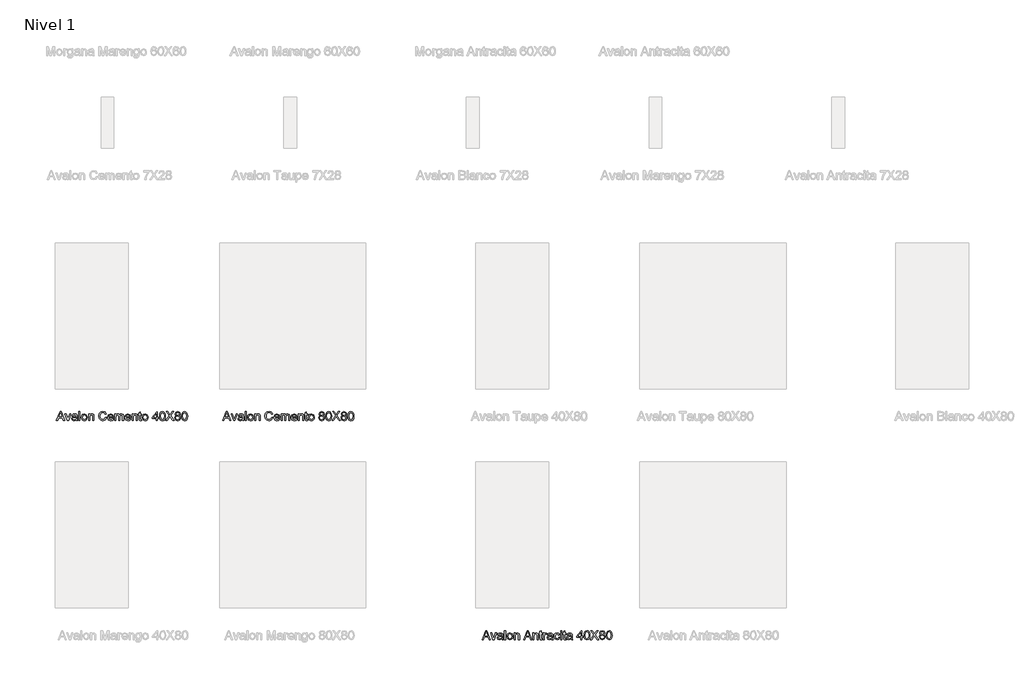
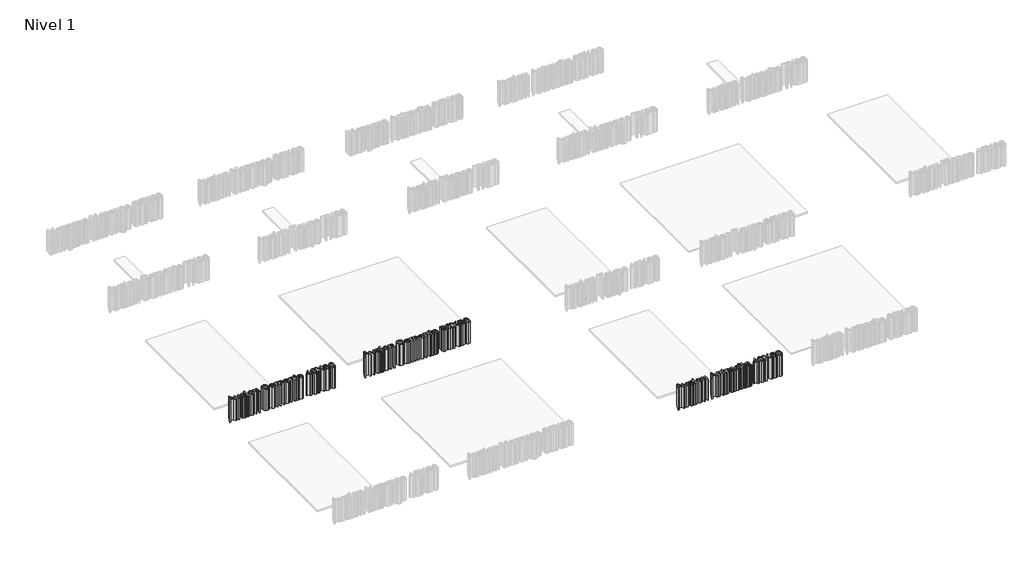
# One storey, part 2 of 11: 3 proxies.
"""IFC4 building model written with IfcOpenShell, lengths in millimetres."""

from ifc_helpers import new_model, si_unit, origin, origin_with_axes, place, context, project, spatial, polyline, outline, extrude, element, save

model = new_model("IFC4")

# Units and contexts
model_context = context("Model", 3, world=origin())
ifc_project = project(units=[si_unit("LENGTHUNIT", "METRE", prefix="MILLI")], contexts=[model_context])

# Site, building, storey
site = spatial("IfcSite", under=ifc_project)
building = spatial("IfcBuilding", under=site)
storey = spatial("IfcBuildingStorey", under=building, Name="Nivel 1", Elevation=0.0)

# Proxies
placement = place(None, origin())
element("IfcBuildingElementProxy", 1, Name="Texto de modelo 1", ObjectType="Texto de modelo 1", at=placement, inside=storey, context=model_context, shape_type="SweptSolid", body=[
    extrude(outline(polyline([(5.8341766, -4172.9229512), (25.4856189, -4123.692182), (30.7260035, -4123.692182), (50.3774458, -4172.9229512), (43.875042, -4172.9229512), (38.2380227, -4157.5383359), (17.9615804, -4157.5383359), (12.3365804, -4172.9229512), (5.8341766, -4172.9229512)]), holes=[polyline([(20.2211958, -4151.3844897), (35.9904266, -4151.3844897), (31.5553304, -4139.2811243), (28.1058112, -4129.8460282), (25.0409073, -4138.223432), (20.2211958, -4151.3844897)])]), origin_with_axes(), (0.0, 0.0, 1.0), 150.0),
    extrude(outline(polyline([(65.0529266, -4172.9229512), (52.3365804, -4136.7691051), (58.8510035, -4136.7691051), (66.5553304, -4158.4277589), (68.875042, -4165.7114128), (71.1466766, -4158.8364128), (78.8990804, -4136.7691051), (85.4135035, -4136.7691051), (72.8534073, -4172.9229512), (65.0529266, -4172.9229512)])), origin_with_axes(), (0.0, 0.0, 1.0), 150.0),
    extrude(outline(polyline([(113.875042, -4168.3075666), (107.9074939, -4172.4782397), (101.3149458, -4173.692182), (92.3786477, -4170.7715089), (89.2596573, -4163.3075666), (90.437542, -4158.4397782), (93.5324939, -4154.9061243), (97.8413881, -4152.8868936), (103.1659073, -4151.9614128), (113.8389843, -4149.8460282), (112.1803304, -4143.9325666), (105.3774458, -4142.1537205), (99.1514843, -4143.3376147), (96.1827343, -4147.5383359), (90.0288881, -4146.7691051), (92.6911477, -4140.7594897), (98.0517246, -4137.2378551), (106.170715, -4135.9998743), (113.6286477, -4137.0936243), (117.8413881, -4139.8400186), (119.7284073, -4144.0167012), (120.0288881, -4149.4013166), (120.0288881, -4157.0575666), (120.3413881, -4167.7486724), (121.5673496, -4172.9229512), (115.4135035, -4172.9229512), (113.875042, -4168.3075666)]), holes=[polyline([(113.875042, -4155.9998743), (103.9471573, -4157.8868936), (98.6526862, -4158.8844897), (96.2548496, -4160.5070859), (95.4135035, -4162.8748743), (97.2464362, -4166.2042012), (102.625042, -4167.5383359), (108.8510035, -4166.0659801), (112.8654266, -4162.5022782), (113.8389843, -4157.7426628), (113.875042, -4155.9998743)])]), origin_with_axes(), (0.0, 0.0, 1.0), 150.0),
    extrude(outline(polyline([(128.4904266, -4172.9229512), (128.4904266, -4123.692182), (134.6442727, -4123.692182), (134.6442727, -4172.9229512), (128.4904266, -4172.9229512)])), origin_with_axes(), (0.0, 0.0, 1.0), 150.0),
    extrude(outline(polyline([(142.3365804, -4154.8460282), (143.6677102, -4146.1290811), (147.6610996, -4140.0022782), (158.5024458, -4135.9998743), (170.1310516, -4140.8736724), (174.6442727, -4154.3412205), (172.6490804, -4165.2907397), (166.8377823, -4171.4866532), (158.5024458, -4173.692182), (146.8017246, -4168.8364128), (142.3365804, -4154.8460282)]), holes=[polyline([(148.4904266, -4154.8340089), (151.3389843, -4164.3712686), (158.5024458, -4167.5383359), (165.6418689, -4164.3532397), (168.4904266, -4154.6417012), (165.62384, -4145.3207878), (158.5024458, -4142.1537205), (151.3389843, -4145.3087686), (148.4904266, -4154.8340089)])]), origin_with_axes(), (0.0, 0.0, 1.0), 150.0),
    extrude(outline(polyline([(181.5673496, -4172.9229512), (181.5673496, -4136.7691051), (187.7211958, -4136.7691051), (187.7211958, -4141.817182), (192.4267246, -4137.4542012), (198.8510035, -4135.9998743), (204.6623016, -4137.1717493), (208.6286477, -4140.2486724), (210.4735996, -4144.7739128), (210.7981189, -4150.723432), (210.7981189, -4172.9229512), (204.6442727, -4172.9229512), (204.6442727, -4151.5527589), (203.9351381, -4146.1080474), (201.4291285, -4143.2294416), (197.2043689, -4142.1537205), (190.5276862, -4144.5695859), (187.7211958, -4153.7402589), (187.7211958, -4172.9229512), (181.5673496, -4172.9229512)])), origin_with_axes(), (0.0, 0.0, 1.0), 150.0),
    extrude(outline(polyline([(273.875042, -4155.4229512), (280.0288881, -4157.0094897), (272.733215, -4169.4193455), (259.8485996, -4173.692182), (247.0421093, -4170.4590089), (239.53009, -4161.0960282), (236.951965, -4147.9349705), (239.8666285, -4134.5575666), (248.1538881, -4125.8856916), (259.9808112, -4122.9229512), (272.3065323, -4126.7570859), (279.2596573, -4137.5503551), (273.1058112, -4139.0167012), (268.0577343, -4131.4505955), (259.7404266, -4129.0767974), (250.1130227, -4131.7090089), (244.6743208, -4138.7763166), (243.1058112, -4147.9229512), (244.9627823, -4158.5239128), (250.7440323, -4165.2967493), (259.2356189, -4167.5383359), (268.6526862, -4164.4854512), (273.875042, -4155.4229512)])), origin_with_axes(), (0.0, 0.0, 1.0), 150.0),
    extrude(outline(polyline([(313.0336958, -4162.1537205), (319.0673496, -4162.9229512), (313.4243208, -4170.8676628), (302.9135035, -4173.692182), (290.1370612, -4168.8183839), (285.4135035, -4155.1465089), (290.1851381, -4141.0239128), (302.5649458, -4135.9998743), (314.5901862, -4141.0118936), (319.2596573, -4155.1104512), (319.2235996, -4156.7691051), (291.5673496, -4156.7691051), (295.1070131, -4164.7618936), (303.0336958, -4167.5383359), (309.0673496, -4166.2522782), (313.0336958, -4162.1537205)]), holes=[polyline([(291.5673496, -4150.6152589), (313.1058112, -4150.6152589), (310.6418689, -4145.0383359), (302.5409073, -4142.1537205), (294.9627823, -4144.4554032), (291.5673496, -4150.6152589)])]), origin_with_axes(), (0.0, 0.0, 1.0), 150.0),
    extrude(outline(polyline([(325.4135035, -4172.9229512), (325.4135035, -4136.7691051), (331.5673496, -4136.7691051), (331.5673496, -4142.7186243), (335.7981189, -4137.8448262), (341.8197535, -4135.9998743), (347.9856189, -4137.8808839), (351.375042, -4143.1513166), (356.1767246, -4137.7877349), (362.2404266, -4135.9998743), (370.2873016, -4138.9746339), (373.1058112, -4148.1392974), (373.1058112, -4172.9229512), (366.951965, -4172.9229512), (366.951965, -4150.7835282), (366.3810516, -4145.645307), (364.3137439, -4143.1152589), (360.7981189, -4142.1537205), (354.7464362, -4144.6176628), (352.3365804, -4152.5142974), (352.3365804, -4172.9229512), (346.1827343, -4172.9229512), (346.1827343, -4150.098432), (344.7584554, -4144.1368936), (340.0889843, -4142.1537205), (335.5336958, -4143.4758359), (332.5048496, -4147.3460282), (331.5673496, -4154.6897782), (331.5673496, -4172.9229512), (325.4135035, -4172.9229512)])), origin_with_axes(), (0.0, 0.0, 1.0), 150.0),
    extrude(outline(polyline([(407.6490804, -4162.1537205), (413.6827343, -4162.9229512), (408.0397054, -4170.8676628), (397.5288881, -4173.692182), (384.7524458, -4168.8183839), (380.0288881, -4155.1465089), (384.8005227, -4141.0239128), (397.1803304, -4135.9998743), (409.2055708, -4141.0118936), (413.875042, -4155.1104512), (413.8389843, -4156.7691051), (386.1827343, -4156.7691051), (389.7223977, -4164.7618936), (397.6490804, -4167.5383359), (403.6827343, -4166.2522782), (407.6490804, -4162.1537205)]), holes=[polyline([(386.1827343, -4150.6152589), (407.7211958, -4150.6152589), (405.2572535, -4145.0383359), (397.156292, -4142.1537205), (389.578167, -4144.4554032), (386.1827343, -4150.6152589)])]), origin_with_axes(), (0.0, 0.0, 1.0), 150.0),
    extrude(outline(polyline([(420.0288881, -4172.9229512), (420.0288881, -4136.7691051), (426.1827343, -4136.7691051), (426.1827343, -4141.817182), (430.8882631, -4137.4542012), (437.312542, -4135.9998743), (443.12384, -4137.1717493), (447.0901862, -4140.2486724), (448.9351381, -4144.7739128), (449.2596573, -4150.723432), (449.2596573, -4172.9229512), (443.1058112, -4172.9229512), (443.1058112, -4151.5527589), (442.3966766, -4146.1080474), (439.890667, -4143.2294416), (435.6659073, -4142.1537205), (428.9892246, -4144.5695859), (426.1827343, -4153.7402589), (426.1827343, -4172.9229512), (420.0288881, -4172.9229512)])), origin_with_axes(), (0.0, 0.0, 1.0), 150.0),
    extrude(outline(polyline([(470.7981189, -4167.7907397), (471.5673496, -4173.1032397), (466.9639843, -4173.692182), (461.8077343, -4172.6705474), (459.2356189, -4169.9902589), (458.4904266, -4163.0070859), (458.4904266, -4142.9229512), (453.875042, -4142.9229512), (453.875042, -4136.7691051), (458.4904266, -4136.7691051), (458.4904266, -4127.9830474), (464.6442727, -4124.3652589), (464.6442727, -4136.7691051), (470.7981189, -4136.7691051), (470.7981189, -4142.9229512), (464.6442727, -4142.9229512), (464.6442727, -4162.8267974), (464.968792, -4165.9998743), (468.1178304, -4167.5383359), (470.7981189, -4167.7907397)])), origin_with_axes(), (0.0, 0.0, 1.0), 150.0),
    extrude(outline(polyline([(475.4135035, -4154.8460282), (476.7446333, -4146.1290811), (480.7380227, -4140.0022782), (491.5793689, -4135.9998743), (503.2079746, -4140.8736724), (507.7211958, -4154.3412205), (505.7260035, -4165.2907397), (499.9147054, -4171.4866532), (491.5793689, -4173.692182), (479.8786477, -4168.8364128), (475.4135035, -4154.8460282)]), holes=[polyline([(481.5673496, -4154.8340089), (484.4159073, -4164.3712686), (491.5793689, -4167.5383359), (498.718792, -4164.3532397), (501.5673496, -4154.6417012), (498.7007631, -4145.3207878), (491.5793689, -4142.1537205), (484.4159073, -4145.3087686), (481.5673496, -4154.8340089)])]), origin_with_axes(), (0.0, 0.0, 1.0), 150.0),
    extrude(outline(polyline([(552.3365804, -4172.9229512), (552.3365804, -4161.3844897), (530.0288881, -4161.3844897), (530.0288881, -4155.2306436), (553.875042, -4124.4614128), (558.4904266, -4124.4614128), (558.4904266, -4155.2306436), (564.6442727, -4155.2306436), (564.6442727, -4161.3844897), (558.4904266, -4161.3844897), (558.4904266, -4172.9229512), (552.3365804, -4172.9229512)]), holes=[polyline([(552.3365804, -4155.2306436), (552.3365804, -4136.2162205), (537.6010035, -4155.2306436), (552.3365804, -4155.2306436)])]), origin_with_axes(), (0.0, 0.0, 1.0), 150.0),
    extrude(outline(polyline([(570.0288881, -4148.7042012), (571.8377823, -4134.5395378), (577.2103785, -4126.3724705), (586.1827343, -4123.692182), (593.3702343, -4125.2787205), (598.3341766, -4129.8520378), (601.218792, -4137.1356916), (602.3365804, -4148.7042012), (600.545715, -4162.8087686), (595.1911477, -4170.9938647), (586.1827343, -4173.692182), (574.9327343, -4169.004682), (571.2548496, -4160.6783599), (570.0288881, -4148.7042012)]), holes=[polyline([(576.1827343, -4148.692182), (579.0673496, -4163.9746339), (586.1827343, -4167.5383359), (593.2981189, -4163.9626147), (596.1827343, -4148.692182), (593.3942727, -4133.5840089), (586.1106189, -4129.8460282), (579.1635035, -4133.1392974), (576.1827343, -4148.692182)])]), origin_with_axes(), (0.0, 0.0, 1.0), 150.0),
    extrude(outline(polyline([(604.6442727, -4172.9229512), (623.6226381, -4146.0960282), (607.7211958, -4123.692182), (615.1010035, -4123.692182), (624.0553304, -4136.3003551), (627.0721573, -4141.2162205), (630.6058112, -4136.2162205), (639.4639843, -4123.692182), (646.951965, -4123.692182), (631.0505227, -4146.1681436), (650.0288881, -4172.9229512), (642.6490804, -4172.9229512), (630.0048496, -4155.0864128), (627.3726381, -4151.3844897), (624.4760035, -4155.4469897), (612.1322535, -4172.9229512), (604.6442727, -4172.9229512)])), origin_with_axes(), (0.0, 0.0, 1.0), 150.0),
    extrude(outline(polyline([(662.8413881, -4145.8075666), (657.234417, -4141.9854512), (655.4135035, -4136.035932), (659.3798496, -4127.2498743), (669.9447535, -4123.692182), (680.6058112, -4127.3340089), (684.6442727, -4136.2042012), (682.8473977, -4142.0034801), (677.3966766, -4145.8075666), (683.9411477, -4150.6332878), (686.1827343, -4158.5960282), (681.7356189, -4169.3412205), (670.0288881, -4173.692182), (658.3221573, -4169.3231916), (653.875042, -4158.4277589), (656.2067727, -4150.2787205), (662.8413881, -4145.8075666)]), holes=[polyline([(661.5673496, -4136.2162205), (663.74884, -4141.0479512), (670.1010035, -4142.9229512), (676.326965, -4141.0599705), (678.4904266, -4136.4926628), (676.2548496, -4131.7630955), (670.0288881, -4129.8460282), (663.7848977, -4131.7210282), (661.5673496, -4136.2162205)]), polyline([(660.0288881, -4158.2114128), (661.0565323, -4162.8448262), (664.6923496, -4166.3123743), (670.076965, -4167.5383359), (677.4086958, -4164.9602109), (680.0288881, -4158.4037205), (677.3245612, -4151.7210282), (669.8726381, -4149.0767974), (662.6310516, -4151.6849705), (660.0288881, -4158.2114128)])]), origin_with_axes(), (0.0, 0.0, 1.0), 150.0),
    extrude(outline(polyline([(691.5673496, -4148.7042012), (693.3762439, -4134.5395378), (698.74884, -4126.3724705), (707.7211958, -4123.692182), (714.9086958, -4125.2787205), (719.8726381, -4129.8520378), (722.7572535, -4137.1356916), (723.875042, -4148.7042012), (722.0841766, -4162.8087686), (716.7296093, -4170.9938647), (707.7211958, -4173.692182), (696.4711958, -4169.004682), (692.7933112, -4160.6783599), (691.5673496, -4148.7042012)]), holes=[polyline([(697.7211958, -4148.692182), (700.6058112, -4163.9746339), (707.7211958, -4167.5383359), (714.8365804, -4163.9626147), (717.7211958, -4148.692182), (714.9327343, -4133.5840089), (707.6490804, -4129.8460282), (700.701965, -4133.1392974), (697.7211958, -4148.692182)])]), origin_with_axes(), (0.0, 0.0, 1.0), 150.0),
])
element("IfcBuildingElementProxy", 2, Name="Texto de modelo 1", ObjectType="Texto de modelo 1", at=placement, inside=storey, context=model_context, shape_type="SweptSolid", body=[
    extrude(outline(polyline([(915.8341766, -4172.9229512), (935.4856189, -4123.692182), (940.7260035, -4123.692182), (960.3774458, -4172.9229512), (953.875042, -4172.9229512), (948.2380227, -4157.5383359), (927.9615804, -4157.5383359), (922.3365804, -4172.9229512), (915.8341766, -4172.9229512)]), holes=[polyline([(930.2211958, -4151.3844897), (945.9904266, -4151.3844897), (941.5553304, -4139.2811243), (938.1058112, -4129.8460282), (935.0409073, -4138.223432), (930.2211958, -4151.3844897)])]), origin_with_axes(), (0.0, 0.0, 1.0), 150.0),
    extrude(outline(polyline([(975.0529266, -4172.9229512), (962.3365804, -4136.7691051), (968.8510035, -4136.7691051), (976.5553304, -4158.4277589), (978.875042, -4165.7114128), (981.1466766, -4158.8364128), (988.8990804, -4136.7691051), (995.4135035, -4136.7691051), (982.8534073, -4172.9229512), (975.0529266, -4172.9229512)])), origin_with_axes(), (0.0, 0.0, 1.0), 150.0),
    extrude(outline(polyline([(1023.875042, -4168.3075666), (1017.9074939, -4172.4782397), (1011.3149458, -4173.692182), (1002.3786477, -4170.7715089), (999.2596573, -4163.3075666), (1000.437542, -4158.4397782), (1003.5324939, -4154.9061243), (1007.8413881, -4152.8868936), (1013.1659073, -4151.9614128), (1023.8389843, -4149.8460282), (1022.1803304, -4143.9325666), (1015.3774458, -4142.1537205), (1009.1514843, -4143.3376147), (1006.1827343, -4147.5383359), (1000.0288881, -4146.7691051), (1002.6911477, -4140.7594897), (1008.0517246, -4137.2378551), (1016.170715, -4135.9998743), (1023.6286477, -4137.0936243), (1027.8413881, -4139.8400186), (1029.7284073, -4144.0167012), (1030.0288881, -4149.4013166), (1030.0288881, -4157.0575666), (1030.3413881, -4167.7486724), (1031.5673496, -4172.9229512), (1025.4135035, -4172.9229512), (1023.875042, -4168.3075666)]), holes=[polyline([(1023.875042, -4155.9998743), (1013.9471573, -4157.8868936), (1008.6526862, -4158.8844897), (1006.2548496, -4160.5070859), (1005.4135035, -4162.8748743), (1007.2464362, -4166.2042012), (1012.625042, -4167.5383359), (1018.8510035, -4166.0659801), (1022.8654266, -4162.5022782), (1023.8389843, -4157.7426628), (1023.875042, -4155.9998743)])]), origin_with_axes(), (0.0, 0.0, 1.0), 150.0),
    extrude(outline(polyline([(1038.4904266, -4172.9229512), (1038.4904266, -4123.692182), (1044.6442727, -4123.692182), (1044.6442727, -4172.9229512), (1038.4904266, -4172.9229512)])), origin_with_axes(), (0.0, 0.0, 1.0), 150.0),
    extrude(outline(polyline([(1052.3365804, -4154.8460282), (1053.6677102, -4146.1290811), (1057.6610996, -4140.0022782), (1068.5024458, -4135.9998743), (1080.1310516, -4140.8736724), (1084.6442727, -4154.3412205), (1082.6490804, -4165.2907397), (1076.8377823, -4171.4866532), (1068.5024458, -4173.692182), (1056.8017246, -4168.8364128), (1052.3365804, -4154.8460282)]), holes=[polyline([(1058.4904266, -4154.8340089), (1061.3389843, -4164.3712686), (1068.5024458, -4167.5383359), (1075.6418689, -4164.3532397), (1078.4904266, -4154.6417012), (1075.62384, -4145.3207878), (1068.5024458, -4142.1537205), (1061.3389843, -4145.3087686), (1058.4904266, -4154.8340089)])]), origin_with_axes(), (0.0, 0.0, 1.0), 150.0),
    extrude(outline(polyline([(1091.5673496, -4172.9229512), (1091.5673496, -4136.7691051), (1097.7211958, -4136.7691051), (1097.7211958, -4141.817182), (1102.4267246, -4137.4542012), (1108.8510035, -4135.9998743), (1114.6623016, -4137.1717493), (1118.6286477, -4140.2486724), (1120.4735996, -4144.7739128), (1120.7981189, -4150.723432), (1120.7981189, -4172.9229512), (1114.6442727, -4172.9229512), (1114.6442727, -4151.5527589), (1113.9351381, -4146.1080474), (1111.4291285, -4143.2294416), (1107.2043689, -4142.1537205), (1100.5276862, -4144.5695859), (1097.7211958, -4153.7402589), (1097.7211958, -4172.9229512), (1091.5673496, -4172.9229512)])), origin_with_axes(), (0.0, 0.0, 1.0), 150.0),
    extrude(outline(polyline([(1183.875042, -4155.4229512), (1190.0288881, -4157.0094897), (1182.733215, -4169.4193455), (1169.8485996, -4173.692182), (1157.0421093, -4170.4590089), (1149.53009, -4161.0960282), (1146.951965, -4147.9349705), (1149.8666285, -4134.5575666), (1158.1538881, -4125.8856916), (1169.9808112, -4122.9229512), (1182.3065323, -4126.7570859), (1189.2596573, -4137.5503551), (1183.1058112, -4139.0167012), (1178.0577343, -4131.4505955), (1169.7404266, -4129.0767974), (1160.1130227, -4131.7090089), (1154.6743208, -4138.7763166), (1153.1058112, -4147.9229512), (1154.9627823, -4158.5239128), (1160.7440323, -4165.2967493), (1169.2356189, -4167.5383359), (1178.6526862, -4164.4854512), (1183.875042, -4155.4229512)])), origin_with_axes(), (0.0, 0.0, 1.0), 150.0),
    extrude(outline(polyline([(1223.0336958, -4162.1537205), (1229.0673496, -4162.9229512), (1223.4243208, -4170.8676628), (1212.9135035, -4173.692182), (1200.1370612, -4168.8183839), (1195.4135035, -4155.1465089), (1200.1851381, -4141.0239128), (1212.5649458, -4135.9998743), (1224.5901862, -4141.0118936), (1229.2596573, -4155.1104512), (1229.2235996, -4156.7691051), (1201.5673496, -4156.7691051), (1205.1070131, -4164.7618936), (1213.0336958, -4167.5383359), (1219.0673496, -4166.2522782), (1223.0336958, -4162.1537205)]), holes=[polyline([(1201.5673496, -4150.6152589), (1223.1058112, -4150.6152589), (1220.6418689, -4145.0383359), (1212.5409073, -4142.1537205), (1204.9627823, -4144.4554032), (1201.5673496, -4150.6152589)])]), origin_with_axes(), (0.0, 0.0, 1.0), 150.0),
    extrude(outline(polyline([(1235.4135035, -4172.9229512), (1235.4135035, -4136.7691051), (1241.5673496, -4136.7691051), (1241.5673496, -4142.7186243), (1245.7981189, -4137.8448262), (1251.8197535, -4135.9998743), (1257.9856189, -4137.8808839), (1261.375042, -4143.1513166), (1266.1767246, -4137.7877349), (1272.2404266, -4135.9998743), (1280.2873016, -4138.9746339), (1283.1058112, -4148.1392974), (1283.1058112, -4172.9229512), (1276.951965, -4172.9229512), (1276.951965, -4150.7835282), (1276.3810516, -4145.645307), (1274.3137439, -4143.1152589), (1270.7981189, -4142.1537205), (1264.7464362, -4144.6176628), (1262.3365804, -4152.5142974), (1262.3365804, -4172.9229512), (1256.1827343, -4172.9229512), (1256.1827343, -4150.098432), (1254.7584554, -4144.1368936), (1250.0889843, -4142.1537205), (1245.5336958, -4143.4758359), (1242.5048496, -4147.3460282), (1241.5673496, -4154.6897782), (1241.5673496, -4172.9229512), (1235.4135035, -4172.9229512)])), origin_with_axes(), (0.0, 0.0, 1.0), 150.0),
    extrude(outline(polyline([(1317.6490804, -4162.1537205), (1323.6827343, -4162.9229512), (1318.0397054, -4170.8676628), (1307.5288881, -4173.692182), (1294.7524458, -4168.8183839), (1290.0288881, -4155.1465089), (1294.8005227, -4141.0239128), (1307.1803304, -4135.9998743), (1319.2055708, -4141.0118936), (1323.875042, -4155.1104512), (1323.8389843, -4156.7691051), (1296.1827343, -4156.7691051), (1299.7223977, -4164.7618936), (1307.6490804, -4167.5383359), (1313.6827343, -4166.2522782), (1317.6490804, -4162.1537205)]), holes=[polyline([(1296.1827343, -4150.6152589), (1317.7211958, -4150.6152589), (1315.2572535, -4145.0383359), (1307.156292, -4142.1537205), (1299.578167, -4144.4554032), (1296.1827343, -4150.6152589)])]), origin_with_axes(), (0.0, 0.0, 1.0), 150.0),
    extrude(outline(polyline([(1330.0288881, -4172.9229512), (1330.0288881, -4136.7691051), (1336.1827343, -4136.7691051), (1336.1827343, -4141.817182), (1340.8882631, -4137.4542012), (1347.312542, -4135.9998743), (1353.12384, -4137.1717493), (1357.0901862, -4140.2486724), (1358.9351381, -4144.7739128), (1359.2596573, -4150.723432), (1359.2596573, -4172.9229512), (1353.1058112, -4172.9229512), (1353.1058112, -4151.5527589), (1352.3966766, -4146.1080474), (1349.890667, -4143.2294416), (1345.6659073, -4142.1537205), (1338.9892246, -4144.5695859), (1336.1827343, -4153.7402589), (1336.1827343, -4172.9229512), (1330.0288881, -4172.9229512)])), origin_with_axes(), (0.0, 0.0, 1.0), 150.0),
    extrude(outline(polyline([(1380.7981189, -4167.7907397), (1381.5673496, -4173.1032397), (1376.9639843, -4173.692182), (1371.8077343, -4172.6705474), (1369.2356189, -4169.9902589), (1368.4904266, -4163.0070859), (1368.4904266, -4142.9229512), (1363.875042, -4142.9229512), (1363.875042, -4136.7691051), (1368.4904266, -4136.7691051), (1368.4904266, -4127.9830474), (1374.6442727, -4124.3652589), (1374.6442727, -4136.7691051), (1380.7981189, -4136.7691051), (1380.7981189, -4142.9229512), (1374.6442727, -4142.9229512), (1374.6442727, -4162.8267974), (1374.968792, -4165.9998743), (1378.1178304, -4167.5383359), (1380.7981189, -4167.7907397)])), origin_with_axes(), (0.0, 0.0, 1.0), 150.0),
    extrude(outline(polyline([(1385.4135035, -4154.8460282), (1386.7446333, -4146.1290811), (1390.7380227, -4140.0022782), (1401.5793689, -4135.9998743), (1413.2079746, -4140.8736724), (1417.7211958, -4154.3412205), (1415.7260035, -4165.2907397), (1409.9147054, -4171.4866532), (1401.5793689, -4173.692182), (1389.8786477, -4168.8364128), (1385.4135035, -4154.8460282)]), holes=[polyline([(1391.5673496, -4154.8340089), (1394.4159073, -4164.3712686), (1401.5793689, -4167.5383359), (1408.718792, -4164.3532397), (1411.5673496, -4154.6417012), (1408.7007631, -4145.3207878), (1401.5793689, -4142.1537205), (1394.4159073, -4145.3087686), (1391.5673496, -4154.8340089)])]), origin_with_axes(), (0.0, 0.0, 1.0), 150.0),
    extrude(outline(polyline([(1451.3029266, -4145.8075666), (1445.6959554, -4141.9854512), (1443.875042, -4136.035932), (1447.8413881, -4127.2498743), (1458.406292, -4123.692182), (1469.0673496, -4127.3340089), (1473.1058112, -4136.2042012), (1471.3089362, -4142.0034801), (1465.858215, -4145.8075666), (1472.4026862, -4150.6332878), (1474.6442727, -4158.5960282), (1470.1971573, -4169.3412205), (1458.4904266, -4173.692182), (1446.7836958, -4169.3231916), (1442.3365804, -4158.4277589), (1444.6683112, -4150.2787205), (1451.3029266, -4145.8075666)]), holes=[polyline([(1450.0288881, -4136.2162205), (1452.2103785, -4141.0479512), (1458.562542, -4142.9229512), (1464.7885035, -4141.0599705), (1466.951965, -4136.4926628), (1464.7163881, -4131.7630955), (1458.4904266, -4129.8460282), (1452.2464362, -4131.7210282), (1450.0288881, -4136.2162205)]), polyline([(1448.4904266, -4158.2114128), (1449.5180708, -4162.8448262), (1453.1538881, -4166.3123743), (1458.5385035, -4167.5383359), (1465.8702343, -4164.9602109), (1468.4904266, -4158.4037205), (1465.7860996, -4151.7210282), (1458.3341766, -4149.0767974), (1451.09259, -4151.6849705), (1448.4904266, -4158.2114128)])]), origin_with_axes(), (0.0, 0.0, 1.0), 150.0),
    extrude(outline(polyline([(1480.0288881, -4148.7042012), (1481.8377823, -4134.5395378), (1487.2103785, -4126.3724705), (1496.1827343, -4123.692182), (1503.3702343, -4125.2787205), (1508.3341766, -4129.8520378), (1511.218792, -4137.1356916), (1512.3365804, -4148.7042012), (1510.545715, -4162.8087686), (1505.1911477, -4170.9938647), (1496.1827343, -4173.692182), (1484.9327343, -4169.004682), (1481.2548496, -4160.6783599), (1480.0288881, -4148.7042012)]), holes=[polyline([(1486.1827343, -4148.692182), (1489.0673496, -4163.9746339), (1496.1827343, -4167.5383359), (1503.2981189, -4163.9626147), (1506.1827343, -4148.692182), (1503.3942727, -4133.5840089), (1496.1106189, -4129.8460282), (1489.1635035, -4133.1392974), (1486.1827343, -4148.692182)])]), origin_with_axes(), (0.0, 0.0, 1.0), 150.0),
    extrude(outline(polyline([(1514.6442727, -4172.9229512), (1533.6226381, -4146.0960282), (1517.7211958, -4123.692182), (1525.1010035, -4123.692182), (1534.0553304, -4136.3003551), (1537.0721573, -4141.2162205), (1540.6058112, -4136.2162205), (1549.4639843, -4123.692182), (1556.951965, -4123.692182), (1541.0505227, -4146.1681436), (1560.0288881, -4172.9229512), (1552.6490804, -4172.9229512), (1540.0048496, -4155.0864128), (1537.3726381, -4151.3844897), (1534.4760035, -4155.4469897), (1522.1322535, -4172.9229512), (1514.6442727, -4172.9229512)])), origin_with_axes(), (0.0, 0.0, 1.0), 150.0),
    extrude(outline(polyline([(1572.8413881, -4145.8075666), (1567.234417, -4141.9854512), (1565.4135035, -4136.035932), (1569.3798496, -4127.2498743), (1579.9447535, -4123.692182), (1590.6058112, -4127.3340089), (1594.6442727, -4136.2042012), (1592.8473977, -4142.0034801), (1587.3966766, -4145.8075666), (1593.9411477, -4150.6332878), (1596.1827343, -4158.5960282), (1591.7356189, -4169.3412205), (1580.0288881, -4173.692182), (1568.3221573, -4169.3231916), (1563.875042, -4158.4277589), (1566.2067727, -4150.2787205), (1572.8413881, -4145.8075666)]), holes=[polyline([(1570.0288881, -4158.2114128), (1571.0565323, -4162.8448262), (1574.6923496, -4166.3123743), (1580.076965, -4167.5383359), (1587.4086958, -4164.9602109), (1590.0288881, -4158.4037205), (1587.3245612, -4151.7210282), (1579.8726381, -4149.0767974), (1572.6310516, -4151.6849705), (1570.0288881, -4158.2114128)]), polyline([(1571.5673496, -4136.2162205), (1573.74884, -4141.0479512), (1580.1010035, -4142.9229512), (1586.326965, -4141.0599705), (1588.4904266, -4136.4926628), (1586.2548496, -4131.7630955), (1580.0288881, -4129.8460282), (1573.7848977, -4131.7210282), (1571.5673496, -4136.2162205)])]), origin_with_axes(), (0.0, 0.0, 1.0), 150.0),
    extrude(outline(polyline([(1601.5673496, -4148.7042012), (1603.3762439, -4134.5395378), (1608.74884, -4126.3724705), (1617.7211958, -4123.692182), (1624.9086958, -4125.2787205), (1629.8726381, -4129.8520378), (1632.7572535, -4137.1356916), (1633.875042, -4148.7042012), (1632.0841766, -4162.8087686), (1626.7296093, -4170.9938647), (1617.7211958, -4173.692182), (1606.4711958, -4169.004682), (1602.7933112, -4160.6783599), (1601.5673496, -4148.7042012)]), holes=[polyline([(1607.7211958, -4148.692182), (1610.6058112, -4163.9746339), (1617.7211958, -4167.5383359), (1624.8365804, -4163.9626147), (1627.7211958, -4148.692182), (1624.9327343, -4133.5840089), (1617.6490804, -4129.8460282), (1610.701965, -4133.1392974), (1607.7211958, -4148.692182)])]), origin_with_axes(), (0.0, 0.0, 1.0), 150.0),
])
element("IfcBuildingElementProxy", 3, Name="Texto de modelo 1", ObjectType="Texto de modelo 1", at=placement, inside=storey, context=model_context, shape_type="SweptSolid", body=[
    extrude(outline(polyline([(2335.8341766, -5372.9229512), (2355.4856189, -5323.692182), (2360.7260035, -5323.692182), (2380.3774458, -5372.9229512), (2373.875042, -5372.9229512), (2368.2380227, -5357.5383359), (2347.9615804, -5357.5383359), (2342.3365804, -5372.9229512), (2335.8341766, -5372.9229512)]), holes=[polyline([(2350.2211958, -5351.3844897), (2365.9904266, -5351.3844897), (2361.5553304, -5339.2811243), (2358.1058112, -5329.8460282), (2355.0409073, -5338.223432), (2350.2211958, -5351.3844897)])]), origin_with_axes(), (0.0, 0.0, 1.0), 150.0),
    extrude(outline(polyline([(2395.0529266, -5372.9229512), (2382.3365804, -5336.7691051), (2388.8510035, -5336.7691051), (2396.5553304, -5358.4277589), (2398.875042, -5365.7114128), (2401.1466766, -5358.8364128), (2408.8990804, -5336.7691051), (2415.4135035, -5336.7691051), (2402.8534073, -5372.9229512), (2395.0529266, -5372.9229512)])), origin_with_axes(), (0.0, 0.0, 1.0), 150.0),
    extrude(outline(polyline([(2443.875042, -5368.3075666), (2437.9074939, -5372.4782397), (2431.3149458, -5373.692182), (2422.3786477, -5370.7715089), (2419.2596573, -5363.3075666), (2420.437542, -5358.4397782), (2423.5324939, -5354.9061243), (2427.8413881, -5352.8868936), (2433.1659073, -5351.9614128), (2443.8389843, -5349.8460282), (2442.1803304, -5343.9325666), (2435.3774458, -5342.1537205), (2429.1514843, -5343.3376147), (2426.1827343, -5347.5383359), (2420.0288881, -5346.7691051), (2422.6911477, -5340.7594897), (2428.0517246, -5337.2378551), (2436.170715, -5335.9998743), (2443.6286477, -5337.0936243), (2447.8413881, -5339.8400186), (2449.7284073, -5344.0167012), (2450.0288881, -5349.4013166), (2450.0288881, -5357.0575666), (2450.3413881, -5367.7486724), (2451.5673496, -5372.9229512), (2445.4135035, -5372.9229512), (2443.875042, -5368.3075666)]), holes=[polyline([(2443.875042, -5355.9998743), (2433.9471573, -5357.8868936), (2428.6526862, -5358.8844897), (2426.2548496, -5360.5070859), (2425.4135035, -5362.8748743), (2427.2464362, -5366.2042012), (2432.625042, -5367.5383359), (2438.8510035, -5366.0659801), (2442.8654266, -5362.5022782), (2443.8389843, -5357.7426628), (2443.875042, -5355.9998743)])]), origin_with_axes(), (0.0, 0.0, 1.0), 150.0),
    extrude(outline(polyline([(2458.4904266, -5372.9229512), (2458.4904266, -5323.692182), (2464.6442727, -5323.692182), (2464.6442727, -5372.9229512), (2458.4904266, -5372.9229512)])), origin_with_axes(), (0.0, 0.0, 1.0), 150.0),
    extrude(outline(polyline([(2472.3365804, -5354.8460282), (2473.6677102, -5346.1290811), (2477.6610996, -5340.0022782), (2488.5024458, -5335.9998743), (2500.1310516, -5340.8736724), (2504.6442727, -5354.3412205), (2502.6490804, -5365.2907397), (2496.8377823, -5371.4866532), (2488.5024458, -5373.692182), (2476.8017246, -5368.8364128), (2472.3365804, -5354.8460282)]), holes=[polyline([(2478.4904266, -5354.8340089), (2481.3389843, -5364.3712686), (2488.5024458, -5367.5383359), (2495.6418689, -5364.3532397), (2498.4904266, -5354.6417012), (2495.62384, -5345.3207878), (2488.5024458, -5342.1537205), (2481.3389843, -5345.3087686), (2478.4904266, -5354.8340089)])]), origin_with_axes(), (0.0, 0.0, 1.0), 150.0),
    extrude(outline(polyline([(2511.5673496, -5372.9229512), (2511.5673496, -5336.7691051), (2517.7211958, -5336.7691051), (2517.7211958, -5341.817182), (2522.4267246, -5337.4542012), (2528.8510035, -5335.9998743), (2534.6623016, -5337.1717493), (2538.6286477, -5340.2486724), (2540.4735996, -5344.7739128), (2540.7981189, -5350.723432), (2540.7981189, -5372.9229512), (2534.6442727, -5372.9229512), (2534.6442727, -5351.5527589), (2533.9351381, -5346.1080474), (2531.4291285, -5343.2294416), (2527.2043689, -5342.1537205), (2520.5276862, -5344.5695859), (2517.7211958, -5353.7402589), (2517.7211958, -5372.9229512), (2511.5673496, -5372.9229512)])), origin_with_axes(), (0.0, 0.0, 1.0), 150.0),
    extrude(outline(polyline([(2563.5264843, -5372.9229512), (2583.1779266, -5323.692182), (2588.4183112, -5323.692182), (2608.0697535, -5372.9229512), (2601.5673496, -5372.9229512), (2595.9303304, -5357.5383359), (2575.6538881, -5357.5383359), (2570.0288881, -5372.9229512), (2563.5264843, -5372.9229512)]), holes=[polyline([(2577.9135035, -5351.3844897), (2593.6827343, -5351.3844897), (2589.2476381, -5339.2811243), (2585.7981189, -5329.8460282), (2582.733215, -5338.223432), (2577.9135035, -5351.3844897)])]), origin_with_axes(), (0.0, 0.0, 1.0), 150.0),
    extrude(outline(polyline([(2613.875042, -5372.9229512), (2613.875042, -5336.7691051), (2620.0288881, -5336.7691051), (2620.0288881, -5341.817182), (2624.734417, -5337.4542012), (2631.1586958, -5335.9998743), (2636.9699939, -5337.1717493), (2640.93634, -5340.2486724), (2642.781292, -5344.7739128), (2643.1058112, -5350.723432), (2643.1058112, -5372.9229512), (2636.951965, -5372.9229512), (2636.951965, -5351.5527589), (2636.2428304, -5346.1080474), (2633.7368208, -5343.2294416), (2629.5120612, -5342.1537205), (2622.8353785, -5344.5695859), (2620.0288881, -5353.7402589), (2620.0288881, -5372.9229512), (2613.875042, -5372.9229512)])), origin_with_axes(), (0.0, 0.0, 1.0), 150.0),
    extrude(outline(polyline([(2664.6442727, -5367.7907397), (2665.4135035, -5373.1032397), (2660.8101381, -5373.692182), (2655.6538881, -5372.6705474), (2653.0817727, -5369.9902589), (2652.3365804, -5363.0070859), (2652.3365804, -5342.9229512), (2647.7211958, -5342.9229512), (2647.7211958, -5336.7691051), (2652.3365804, -5336.7691051), (2652.3365804, -5327.9830474), (2658.4904266, -5324.3652589), (2658.4904266, -5336.7691051), (2664.6442727, -5336.7691051), (2664.6442727, -5342.9229512), (2658.4904266, -5342.9229512), (2658.4904266, -5362.8267974), (2658.8149458, -5365.9998743), (2661.9639843, -5367.5383359), (2664.6442727, -5367.7907397)])), origin_with_axes(), (0.0, 0.0, 1.0), 150.0),
    extrude(outline(polyline([(2670.7981189, -5372.9229512), (2670.7981189, -5336.7691051), (2676.1827343, -5336.7691051), (2676.1827343, -5342.1176628), (2680.0048496, -5337.1897782), (2683.8510035, -5335.9998743), (2690.0288881, -5337.8989128), (2687.9735996, -5343.4157397), (2683.6466766, -5342.1537205), (2680.1671093, -5343.3676628), (2677.9495612, -5346.7330474), (2676.951965, -5353.9205474), (2676.951965, -5372.9229512), (2670.7981189, -5372.9229512)])), origin_with_axes(), (0.0, 0.0, 1.0), 150.0),
    extrude(outline(polyline([(2716.951965, -5368.3075666), (2710.984417, -5372.4782397), (2704.3918689, -5373.692182), (2695.4555708, -5370.7715089), (2692.3365804, -5363.3075666), (2693.514465, -5358.4397782), (2696.609417, -5354.9061243), (2700.9183112, -5352.8868936), (2706.2428304, -5351.9614128), (2716.9159073, -5349.8460282), (2715.2572535, -5343.9325666), (2708.4543689, -5342.1537205), (2702.2284073, -5343.3376147), (2699.2596573, -5347.5383359), (2693.1058112, -5346.7691051), (2695.7680708, -5340.7594897), (2701.1286477, -5337.2378551), (2709.2476381, -5335.9998743), (2716.7055708, -5337.0936243), (2720.9183112, -5339.8400186), (2722.8053304, -5344.0167012), (2723.1058112, -5349.4013166), (2723.1058112, -5357.0575666), (2723.4183112, -5367.7486724), (2724.6442727, -5372.9229512), (2718.4904266, -5372.9229512), (2716.951965, -5368.3075666)]), holes=[polyline([(2716.951965, -5355.9998743), (2707.0240804, -5357.8868936), (2701.7296093, -5358.8844897), (2699.3317727, -5360.5070859), (2698.4904266, -5362.8748743), (2700.3233593, -5366.2042012), (2705.701965, -5367.5383359), (2711.9279266, -5366.0659801), (2715.9423496, -5362.5022782), (2716.9159073, -5357.7426628), (2716.951965, -5355.9998743)])]), origin_with_axes(), (0.0, 0.0, 1.0), 150.0),
    extrude(outline(polyline([(2754.6442727, -5359.8460282), (2760.7981189, -5360.6152589), (2755.858215, -5370.2246339), (2746.0985996, -5373.692182), (2734.4339362, -5368.8544416), (2730.0288881, -5354.9782397), (2731.9098977, -5344.7558839), (2737.6430708, -5338.1873743), (2746.014465, -5335.9998743), (2755.3714362, -5339.004682), (2760.0288881, -5347.5383359), (2753.875042, -5348.3075666), (2751.0204746, -5343.6981916), (2746.062542, -5342.1537205), (2738.9291285, -5345.1945859), (2736.1827343, -5354.8099705), (2738.8690323, -5364.5154993), (2745.8942727, -5367.5383359), (2751.6935516, -5365.6513166), (2754.6442727, -5359.8460282)])), origin_with_axes(), (0.0, 0.0, 1.0), 150.0),
    extrude(outline(polyline([(2766.1827343, -5372.9229512), (2766.1827343, -5336.7691051), (2772.3365804, -5336.7691051), (2772.3365804, -5372.9229512), (2766.1827343, -5372.9229512)])), origin_with_axes(), (0.0, 0.0, 1.0), 150.0),
    extrude(outline(polyline([(2766.1827343, -5329.8460282), (2766.1827343, -5323.692182), (2772.3365804, -5323.692182), (2772.3365804, -5329.8460282), (2766.1827343, -5329.8460282)])), origin_with_axes(), (0.0, 0.0, 1.0), 150.0),
    extrude(outline(polyline([(2794.6442727, -5367.7907397), (2795.4135035, -5373.1032397), (2790.8101381, -5373.692182), (2785.6538881, -5372.6705474), (2783.0817727, -5369.9902589), (2782.3365804, -5363.0070859), (2782.3365804, -5342.9229512), (2777.7211958, -5342.9229512), (2777.7211958, -5336.7691051), (2782.3365804, -5336.7691051), (2782.3365804, -5327.9830474), (2788.4904266, -5324.3652589), (2788.4904266, -5336.7691051), (2794.6442727, -5336.7691051), (2794.6442727, -5342.9229512), (2788.4904266, -5342.9229512), (2788.4904266, -5362.8267974), (2788.8149458, -5365.9998743), (2791.9639843, -5367.5383359), (2794.6442727, -5367.7907397)])), origin_with_axes(), (0.0, 0.0, 1.0), 150.0),
    extrude(outline(polyline([(2823.875042, -5368.3075666), (2817.9074939, -5372.4782397), (2811.3149458, -5373.692182), (2802.3786477, -5370.7715089), (2799.2596573, -5363.3075666), (2800.437542, -5358.4397782), (2803.5324939, -5354.9061243), (2807.8413881, -5352.8868936), (2813.1659073, -5351.9614128), (2823.8389843, -5349.8460282), (2822.1803304, -5343.9325666), (2815.3774458, -5342.1537205), (2809.1514843, -5343.3376147), (2806.1827343, -5347.5383359), (2800.0288881, -5346.7691051), (2802.6911477, -5340.7594897), (2808.0517246, -5337.2378551), (2816.170715, -5335.9998743), (2823.6286477, -5337.0936243), (2827.8413881, -5339.8400186), (2829.7284073, -5344.0167012), (2830.0288881, -5349.4013166), (2830.0288881, -5357.0575666), (2830.3413881, -5367.7486724), (2831.5673496, -5372.9229512), (2825.4135035, -5372.9229512), (2823.875042, -5368.3075666)]), holes=[polyline([(2823.875042, -5355.9998743), (2813.9471573, -5357.8868936), (2808.6526862, -5358.8844897), (2806.2548496, -5360.5070859), (2805.4135035, -5362.8748743), (2807.2464362, -5366.2042012), (2812.625042, -5367.5383359), (2818.8510035, -5366.0659801), (2822.8654266, -5362.5022782), (2823.8389843, -5357.7426628), (2823.875042, -5355.9998743)])]), origin_with_axes(), (0.0, 0.0, 1.0), 150.0),
    extrude(outline(polyline([(2876.1827343, -5372.9229512), (2876.1827343, -5361.3844897), (2853.875042, -5361.3844897), (2853.875042, -5355.2306436), (2877.7211958, -5324.4614128), (2882.3365804, -5324.4614128), (2882.3365804, -5355.2306436), (2888.4904266, -5355.2306436), (2888.4904266, -5361.3844897), (2882.3365804, -5361.3844897), (2882.3365804, -5372.9229512), (2876.1827343, -5372.9229512)]), holes=[polyline([(2876.1827343, -5355.2306436), (2876.1827343, -5336.2162205), (2861.4471573, -5355.2306436), (2876.1827343, -5355.2306436)])]), origin_with_axes(), (0.0, 0.0, 1.0), 150.0),
    extrude(outline(polyline([(2893.875042, -5348.7042012), (2895.6839362, -5334.5395378), (2901.0565323, -5326.3724705), (2910.0288881, -5323.692182), (2917.2163881, -5325.2787205), (2922.1803304, -5329.8520378), (2925.0649458, -5337.1356916), (2926.1827343, -5348.7042012), (2924.3918689, -5362.8087686), (2919.0373016, -5370.9938647), (2910.0288881, -5373.692182), (2898.7788881, -5369.004682), (2895.1010035, -5360.6783599), (2893.875042, -5348.7042012)]), holes=[polyline([(2900.0288881, -5348.692182), (2902.9135035, -5363.9746339), (2910.0288881, -5367.5383359), (2917.1442727, -5363.9626147), (2920.0288881, -5348.692182), (2917.2404266, -5333.5840089), (2909.9567727, -5329.8460282), (2903.0096573, -5333.1392974), (2900.0288881, -5348.692182)])]), origin_with_axes(), (0.0, 0.0, 1.0), 150.0),
    extrude(outline(polyline([(2928.4904266, -5372.9229512), (2947.468792, -5346.0960282), (2931.5673496, -5323.692182), (2938.9471573, -5323.692182), (2947.9014843, -5336.3003551), (2950.9183112, -5341.2162205), (2954.451965, -5336.2162205), (2963.3101381, -5323.692182), (2970.7981189, -5323.692182), (2954.8966766, -5346.1681436), (2973.875042, -5372.9229512), (2966.4952343, -5372.9229512), (2953.8510035, -5355.0864128), (2951.218792, -5351.3844897), (2948.3221573, -5355.4469897), (2935.9784073, -5372.9229512), (2928.4904266, -5372.9229512)])), origin_with_axes(), (0.0, 0.0, 1.0), 150.0),
    extrude(outline(polyline([(2986.687542, -5345.8075666), (2981.0805708, -5341.9854512), (2979.2596573, -5336.035932), (2983.2260035, -5327.2498743), (2993.7909073, -5323.692182), (3004.451965, -5327.3340089), (3008.4904266, -5336.2042012), (3006.6935516, -5342.0034801), (3001.2428304, -5345.8075666), (3007.7873016, -5350.6332878), (3010.0288881, -5358.5960282), (3005.5817727, -5369.3412205), (2993.875042, -5373.692182), (2982.1683112, -5369.3231916), (2977.7211958, -5358.4277589), (2980.0529266, -5350.2787205), (2986.687542, -5345.8075666)]), holes=[polyline([(2985.4135035, -5336.2162205), (2987.5949939, -5341.0479512), (2993.9471573, -5342.9229512), (3000.1731189, -5341.0599705), (3002.3365804, -5336.4926628), (3000.1010035, -5331.7630955), (2993.875042, -5329.8460282), (2987.6310516, -5331.7210282), (2985.4135035, -5336.2162205)]), polyline([(2983.875042, -5358.2114128), (2984.9026862, -5362.8448262), (2988.5385035, -5366.3123743), (2993.9231189, -5367.5383359), (3001.2548496, -5364.9602109), (3003.875042, -5358.4037205), (3001.170715, -5351.7210282), (2993.718792, -5349.0767974), (2986.4772054, -5351.6849705), (2983.875042, -5358.2114128)])]), origin_with_axes(), (0.0, 0.0, 1.0), 150.0),
    extrude(outline(polyline([(3015.4135035, -5348.7042012), (3017.2223977, -5334.5395378), (3022.5949939, -5326.3724705), (3031.5673496, -5323.692182), (3038.7548496, -5325.2787205), (3043.718792, -5329.8520378), (3046.6034073, -5337.1356916), (3047.7211958, -5348.7042012), (3045.9303304, -5362.8087686), (3040.5757631, -5370.9938647), (3031.5673496, -5373.692182), (3020.3173496, -5369.004682), (3016.639465, -5360.6783599), (3015.4135035, -5348.7042012)]), holes=[polyline([(3021.5673496, -5348.692182), (3024.451965, -5363.9746339), (3031.5673496, -5367.5383359), (3038.6827343, -5363.9626147), (3041.5673496, -5348.692182), (3038.7788881, -5333.5840089), (3031.4952343, -5329.8460282), (3024.5481189, -5333.1392974), (3021.5673496, -5348.692182)])]), origin_with_axes(), (0.0, 0.0, 1.0), 150.0),
])

save(model, "model.ifc")
